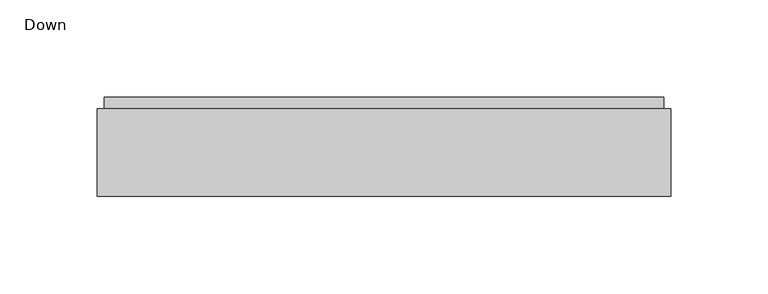
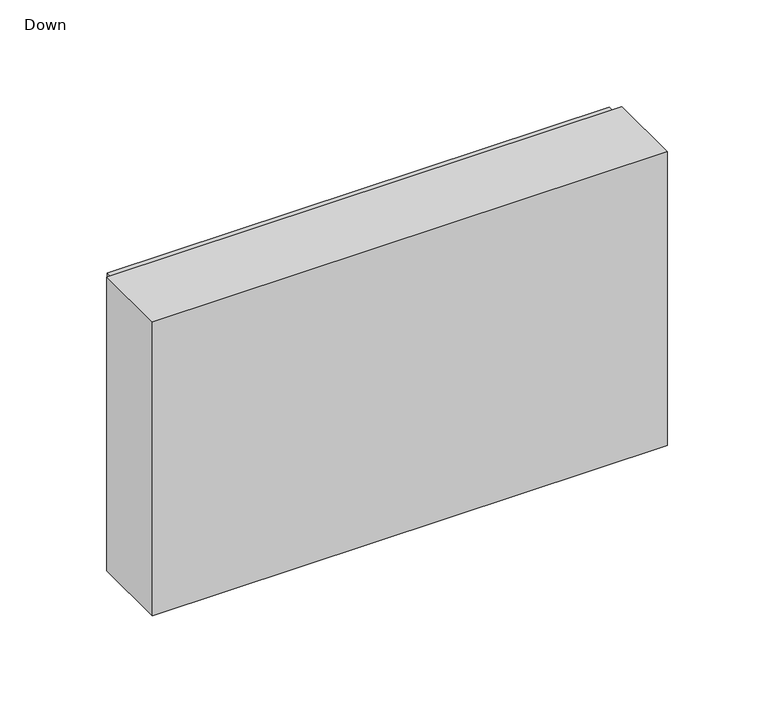
"""IFC4 building model written with IfcOpenShell, lengths in millimetres: light fixture geometry, Down."""

from ifc_helpers import new_model, si_unit, point, frame, frame_2d, origin, place, context, project, spatial, polyline, circle_curve, trimmed, segment, composite_curve, outline, extrude, source, transform, mapped, element, save


def down_6a37b985(model_context):
    return source(origin(), model_context, "Body", "SweptSolid", [
        extrude(outline(polyline([(-22.5, 45.0), (272.5, 45.0), (272.5, 0.0), (-22.5, 0.0), (-22.5, 45.0)])), frame((0.0, 0.0, 1711.0), z_axis=(0.0, 0.0, 1.0), x_axis=(1.0, 0.0, 0.0)), (0.0, 0.0, 1.0), 178.0),
        extrude(outline(composite_curve([segment(trimmed(circle_curve(frame_2d((1842.5382951, 57.1455407)), 13.0), [point((1842.5382951, 44.1455407))], [point((1842.5382951, 70.1455407))], False, "CARTESIAN"), True, "CONTINUOUS"), segment(trimmed(circle_curve(frame_2d((1842.5382951, 57.1455407)), 13.0), [point((1842.5382951, 70.1455407))], [point((1842.5382951, 44.1455407))], False, "CARTESIAN"), True, "CONTINUOUS")], self_intersect=False)), frame((0.0, 45.0, 0.0), z_axis=(0.0, 1.0, 0.0), x_axis=(0.0, 0.0, 1.0)), (0.0, 0.0, 1.0), 6.0),
        extrude(outline(polyline([(1806.6023038, 72.9767204), (1818.8561822, 72.9767204), (1829.5382951, 57.1398368), (1829.5382951, 18.8298614), (1807.8611133, 5.2844549), (1801.8045984, 14.9769047), (1818.2655739, 24.8676567), (1818.2655739, 37.381842), (1791.1015179, 23.5410642), (1761.1015179, 23.5410642), (1761.1015179, 0.8920609), (1750.1015179, 0.8920609), (1750.1015179, 34.5410642), (1779.1356317, 34.5410642), (1734.6374808, 64.5554459), (1740.4579423, 74.2423206), (1786.0550088, 43.4867109), (1813.7415976, 60.7872117), (1813.141173, 61.3876363), (1795.6023038, 61.3876363), (1795.6023038, 87.3876363), (1806.6023038, 87.3876363), (1806.6023038, 72.9767204)])), frame((0.0, 45.0, 0.0), z_axis=(0.0, 1.0, 0.0), x_axis=(0.0, 0.0, 1.0)), (0.0, 0.0, 1.0), 6.0),
        extrude(outline(polyline([(1886.5, -18.8582677), (1713.5, -18.8582677), (1713.5, 268.8582677), (1886.5, 268.8582677), (1886.5, -18.8582677)]), holes=[polyline([(1737.03528, 205.9344351), (1775.7770239, 167.1926911), (1804.3945261, 167.1926911), (1779.1758999, 193.3073429), (1851.381911, 193.3073429), (1851.381911, 218.5615272), (1779.1758999, 218.5615272), (1804.3945261, 244.676179), (1775.7770239, 244.676179), (1737.03528, 205.9344351)]), polyline([(1860.6259983, 0.8920609), (1860.6259983, 87.3876363), (1728.6259983, 87.3876363), (1728.6259983, 0.8920609), (1860.6259983, 0.8920609)])]), frame((0.0, 45.0, 0.0), z_axis=(0.0, 1.0, 0.0), x_axis=(0.0, 0.0, 1.0)), (0.0, 0.0, 1.0), 6.0),
    ])


if __name__ == "__main__":
    model = new_model("IFC4")
    model_context = context("Model", 3, world=origin())
    ifc_project = project(units=[si_unit("LENGTHUNIT", "METRE", prefix="MILLI")], contexts=[model_context])
    site = spatial("IfcSite", under=ifc_project)
    building = spatial("IfcBuilding", under=site)
    placement = place(None, origin())
    down_shape = down_6a37b985(model_context)
    element("IfcLightFixture", 1, ObjectType="Down", at=placement, inside=building, context=model_context, shape_type="MappedRepresentation", body=[
        mapped(down_shape, transform((0.0, 0.0, 0.0), x_axis=(1.0, 0.0, 0.0), y_axis=(0.0, 1.0, 0.0), z_axis=(0.0, 0.0, 1.0))),
    ])
    save(model, "model.ifc")
